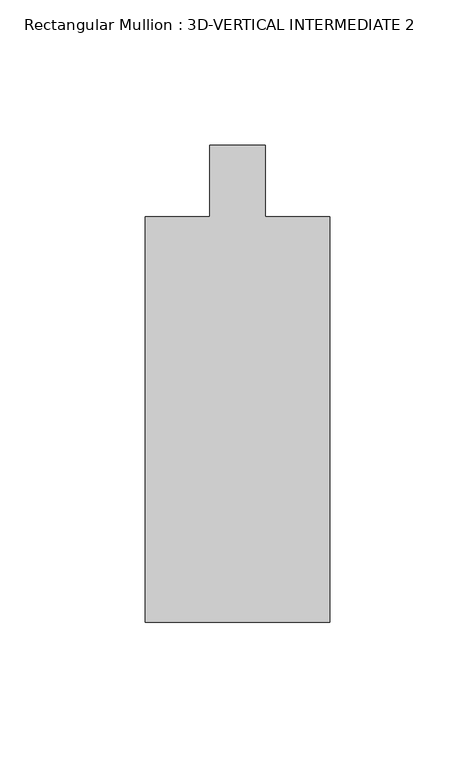
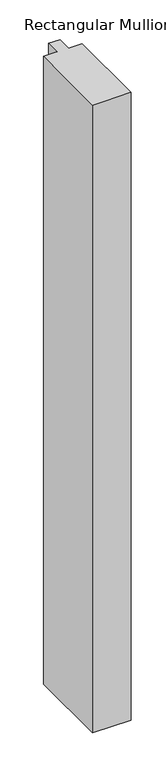
"""IFC4 building model written with IfcOpenShell, lengths in millimetres: member geometry, Rectangular Mullion : 3D-VERTICAL INTERMEDIATE 2."""

import ifcopenshell
import ifcopenshell.guid

model = None  # the IFC model being written
_history = None  # IfcOwnerHistory: only IFC2X3 demands one
_inside = {}  # id of a spatial element -> (the spatial element, [elements in it])
_under = {}  # id of a project, library or spatial element -> (it, [spatial elements below it])
_declared = {}  # id of a project -> (the project, [libraries it declares])
_typed = {}  # id of a type object -> (the type object, [elements of that type])
_made_of = {}  # id of a material, layer set ... -> (it, [elements and type objects made of it])


def new_model(schema):
    """Start an empty IFC model of exactly this schema.

    Asked for "IFC4X3", IfcOpenShell would pick the latest addendum, in which some entities
    have other attributes; the version numbers below select the first issue.
    IFC2X3 requires an IfcOwnerHistory on every rooted entity: one is made here for all.
    """
    global model, _history
    if schema == "IFC4X3":
        model = ifcopenshell.file(schema_version=(4, 3, 0, 0))
    else:
        model = ifcopenshell.file(schema=schema)
    _inside.clear()
    _under.clear()
    _declared.clear()
    _typed.clear()
    _made_of.clear()
    _history = None
    if model.schema == "IFC2X3":
        org = make("IfcOrganization", Name="unknown")
        user = make(
            "IfcPersonAndOrganization",
            ThePerson=make("IfcPerson", FamilyName="unknown"),
            TheOrganization=org,
        )
        app = make(
            "IfcApplication",
            ApplicationDeveloper=org,
            Version="unknown",
            ApplicationFullName="unknown",
            ApplicationIdentifier="unknown",
        )
        _history = make(
            "IfcOwnerHistory",
            OwningUser=user,
            OwningApplication=app,
            ChangeAction="ADDED",
            CreationDate=0,
        )
    return model


def make(cls, **values):
    """One entity of the class cls with the attributes given. An attribute that is None is left unset."""
    return model.create_entity(
        cls, **{name: value for name, value in values.items() if value is not None}
    )


def rooted(cls, **values):
    """An entity with a GlobalId (a new one), such as an element, a storey or a relation."""
    return make(cls, GlobalId=ifcopenshell.guid.new(), OwnerHistory=_history, **values)


def si_unit(unit_type, name, prefix=None):
    """IfcSIUnit, for example si_unit("LENGTHUNIT", "METRE", prefix="MILLI")."""
    return make("IfcSIUnit", UnitType=unit_type, Prefix=prefix, Name=name)


def assignment(units):
    """IfcUnitAssignment: the units of a project."""
    return None if units is None else make("IfcUnitAssignment", Units=units)


def point(xyz):
    """IfcCartesianPoint."""
    return None if xyz is None else make("IfcCartesianPoint", Coordinates=xyz)


def direction(xyz):
    """IfcDirection."""
    return None if xyz is None else make("IfcDirection", DirectionRatios=xyz)


def frame(location, z_axis=None, x_axis=None):
    """IfcAxis2Placement3D, a coordinate frame: its origin and axes. An axis left out is left unset."""
    return make(
        "IfcAxis2Placement3D",
        Location=point(location),
        Axis=direction(z_axis),
        RefDirection=direction(x_axis),
    )


def origin():
    """The frame at (0, 0, 0) with its axes left unset."""
    return frame((0.0, 0.0, 0.0))


def place(relative_to, where):
    """IfcLocalPlacement: puts the frame where relative to a parent placement (None: the world)."""
    return make(
        "IfcLocalPlacement", PlacementRelTo=relative_to, RelativePlacement=where
    )


def context(
    kind, dimensions, precision=None, world=None, true_north=None, identifier=None
):
    """IfcGeometricRepresentationContext, for example the 3D "Model" context."""
    return make(
        "IfcGeometricRepresentationContext",
        ContextIdentifier=identifier,
        ContextType=kind,
        CoordinateSpaceDimension=dimensions,
        Precision=precision,
        WorldCoordinateSystem=world,
        TrueNorth=true_north,
    )


def project(units=None, contexts=None):
    """IfcProject with its units and contexts."""
    return rooted(
        "IfcProject",
        Name="project",
        RepresentationContexts=contexts,
        UnitsInContext=assignment(units),
    )


def spatial(cls, under=None, at=None, **own):
    """A site, building, storey or space (cls), placed at a placement, below another one or the project."""
    s = rooted(cls, ObjectPlacement=at, **own)
    if under is not None:
        _under.setdefault(under.id(), (under, []))[1].append(s)
    return s


def polyline(points):
    """IfcPolyline through the points."""
    return make("IfcPolyline", Points=[point(p) for p in points])


def outline(outer, holes=None, kind="AREA"):
    """IfcArbitraryClosedProfileDef: a profile drawn as a closed curve; with holes, ...WithVoids."""
    if holes is None:
        return make("IfcArbitraryClosedProfileDef", ProfileType=kind, OuterCurve=outer)
    return make(
        "IfcArbitraryProfileDefWithVoids",
        ProfileType=kind,
        OuterCurve=outer,
        InnerCurves=holes,
    )


def extrude(swept, where, along, depth):
    """IfcExtrudedAreaSolid: the profile swept, set in the frame where, extruded along a direction by depth."""
    return make(
        "IfcExtrudedAreaSolid",
        SweptArea=swept,
        Position=where,
        ExtrudedDirection=direction(along),
        Depth=depth,
    )


def shape(context_of_items, identifier, shape_type, items):
    """IfcShapeRepresentation: the items that make up one representation, for example the "Body"."""
    return make(
        "IfcShapeRepresentation",
        ContextOfItems=context_of_items,
        RepresentationIdentifier=identifier,
        RepresentationType=shape_type,
        Items=items,
    )


def source(mapping_origin, context_of_items, identifier, shape_type, items):
    """IfcRepresentationMap: a shape defined once, which mapped items show again and again."""
    return make(
        "IfcRepresentationMap",
        MappingOrigin=mapping_origin,
        MappedRepresentation=shape(context_of_items, identifier, shape_type, items),
    )


def transform(
    local_origin,
    x_axis=None,
    y_axis=None,
    z_axis=None,
    scale=None,
    scale2=None,
    scale3=None,
    uniform=True,
):
    """IfcCartesianTransformationOperator3D, or its non-uniform kind. x_axis, y_axis, z_axis: its Axis1, 2, 3."""
    if uniform:
        return make(
            "IfcCartesianTransformationOperator3D",
            Axis1=direction(x_axis),
            Axis2=direction(y_axis),
            LocalOrigin=point(local_origin),
            Scale=scale,
            Axis3=direction(z_axis),
        )
    return make(
        "IfcCartesianTransformationOperator3DnonUniform",
        Axis1=direction(x_axis),
        Axis2=direction(y_axis),
        LocalOrigin=point(local_origin),
        Scale=scale,
        Axis3=direction(z_axis),
        Scale2=scale2,
        Scale3=scale3,
    )


def mapped(mapping_source, mapping_target):
    """IfcMappedItem: shows the shape of a source again, moved by a transform."""
    return make(
        "IfcMappedItem", MappingSource=mapping_source, MappingTarget=mapping_target
    )


def made_of(thing, what):
    """Note that an element or type object is made of a material, layer set ...; save() writes the relation."""
    if what is not None:
        _made_of.setdefault(what.id(), (what, []))[1].append(thing)
    return thing


def element(
    cls,
    number,
    at=None,
    inside=None,
    cuts=None,
    type_object=None,
    material=None,
    context=None,
    identifier="Body",
    shape_type=None,
    held_by="IfcProductDefinitionShape",
    body=None,
    shapes=None,
    **own,
):
    """One element of the class cls, such as IfcWall. Its Tag is "e" and its number.

    at: its placement. inside: the storey or other place that contains it. cuts: it is an
    opening in that element (IfcRelVoidsElement). A single representation is given by context,
    identifier, shape_type and body (its items); several are given by shapes. held_by: the class
    of the entity that holds the representations. save() writes the other relations.
    """
    e = rooted(cls, Tag="e%d" % number, ObjectPlacement=at, **own)
    if body is not None:
        shapes = [shape(context, identifier, shape_type, body)]
    if shapes is not None:
        e.Representation = make(held_by, Representations=shapes)
    if inside is not None:
        _inside.setdefault(inside.id(), (inside, []))[1].append(e)
    if cuts is not None:
        rooted(
            "IfcRelVoidsElement", RelatingBuildingElement=cuts, RelatedOpeningElement=e
        )
    if type_object is not None:
        _typed.setdefault(type_object.id(), (type_object, []))[1].append(e)
    return made_of(e, material)


def aggregate(whole, parts):
    """IfcRelAggregates: a whole, such as a stair, and the parts it consists of."""
    return rooted("IfcRelAggregates", RelatingObject=whole, RelatedObjects=parts)


def save(model, path):
    """Write the relations noted so far, then the file.

    IfcRelAggregates (storeys below a building ...), IfcRelContainedInSpatialStructure (elements
    in a storey), IfcRelDefinesByType, IfcRelAssociatesMaterial and IfcRelDeclares: one each for
    every whole, place, type object, material and project.
    """
    for whole, parts in _under.values():
        aggregate(whole, parts)
    for where, things in _inside.values():
        rooted(
            "IfcRelContainedInSpatialStructure",
            RelatedElements=things,
            RelatingStructure=where,
        )
    for kind, things in _typed.values():
        rooted("IfcRelDefinesByType", RelatedObjects=things, RelatingType=kind)
    for what, things in _made_of.values():
        rooted("IfcRelAssociatesMaterial", RelatedObjects=things, RelatingMaterial=what)
    for by, libraries in _declared.values():
        rooted("IfcRelDeclares", RelatingContext=by, RelatedDefinitions=libraries)
    model.write(path)


def rectangular_mullion_3d_vertical_intermediate_2_6b429457(model_context):
    return source(origin(), model_context, "Body", "SweptSolid", [
        extrude(outline(polyline([(31.75, -82.7484375), (-31.75, -82.7484375), (-31.75, 56.9515575), (-9.5251132, 56.9515575), (-9.5251132, 81.5701129), (9.5251132, 81.5701129), (9.5251132, 56.9515575), (31.75, 56.9515575), (31.75, -82.7484375)])), frame((0.0, 0.0, -1091.7103332), z_axis=(0.0, 0.0, 1.0), x_axis=(1.0, 0.0, 0.0)), (0.0, 0.0, 1.0), 1091.7103332),
    ])


if __name__ == "__main__":
    model = new_model("IFC4")
    model_context = context("Model", 3, world=origin())
    ifc_project = project(units=[si_unit("LENGTHUNIT", "METRE", prefix="MILLI")], contexts=[model_context])
    site = spatial("IfcSite", under=ifc_project)
    building = spatial("IfcBuilding", under=site)
    placement = place(None, origin())
    rectangular_mullion_3d_vertical_intermediate_2_shape = rectangular_mullion_3d_vertical_intermediate_2_6b429457(model_context)
    element("IfcMember", 1, ObjectType="Rectangular Mullion : 3D-VERTICAL INTERMEDIATE 2", at=placement, inside=building, context=model_context, shape_type="MappedRepresentation", body=[
        mapped(rectangular_mullion_3d_vertical_intermediate_2_shape, transform((0.0, 0.0, 0.0), x_axis=(1.0, 0.0, 0.0), y_axis=(0.0, 1.0, 0.0), z_axis=(0.0, 0.0, 1.0))),
    ])
    save(model, "model.ifc")
